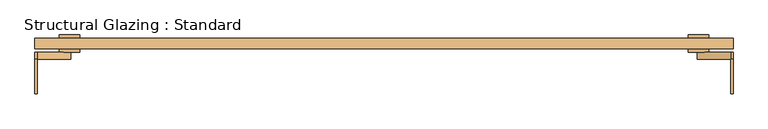
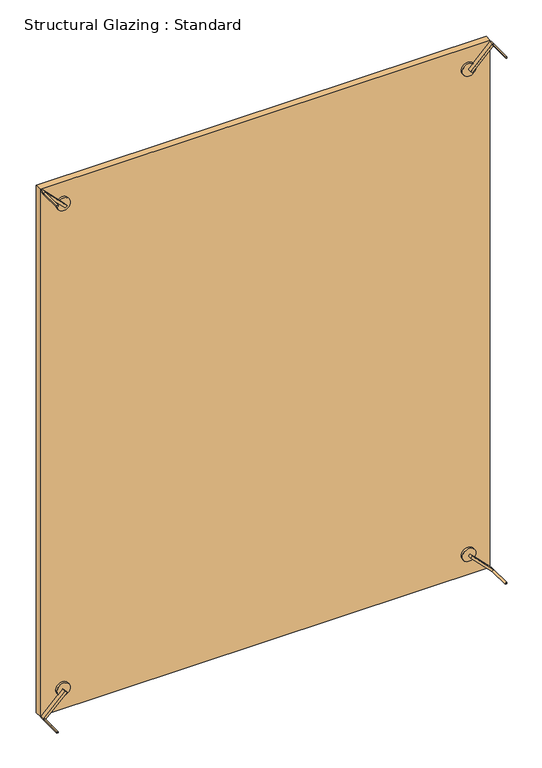
"""IFC4 building model written with IfcOpenShell, lengths in millimetres: door geometry, Structural Glazing : Standard."""

from ifc_helpers import new_model, si_unit, point, frame, frame_2d, origin, origin_with_axes, place, context, project, spatial, polyline, circle_curve, trimmed, segment, composite_curve, outline, extrude, source, transform, mapped, element, save


def structural_glazing_standard_1f668d89(model_context):
    return source(origin(), model_context, "Body", "SweptSolid", [
        extrude(outline(composite_curve([segment(trimmed(circle_curve(frame_2d((100.0, 910.0)), 30.0), [point((100.0, 880.0))], [point((100.0, 940.0))], False, "CARTESIAN"), True, "CONTINUOUS"), segment(trimmed(circle_curve(frame_2d((100.0, 910.0)), 30.0), [point((100.0, 940.0))], [point((100.0, 880.0))], False, "CARTESIAN"), True, "CONTINUOUS")], self_intersect=False)), frame((0.0, -38.9615014, 0.0), z_axis=(0.0, 1.0, 0.0), x_axis=(0.0, 0.0, 1.0)), (0.0, 0.0, 1.0), 10.0),
        extrude(outline(composite_curve([segment(trimmed(circle_curve(frame_2d((100.0, -910.0)), 30.0), [point((100.0, -940.0))], [point((100.0, -880.0))], False, "CARTESIAN"), True, "CONTINUOUS"), segment(trimmed(circle_curve(frame_2d((100.0, -910.0)), 30.0), [point((100.0, -880.0))], [point((100.0, -940.0))], False, "CARTESIAN"), True, "CONTINUOUS")], self_intersect=False)), frame((0.0, -38.9615014, 0.0), z_axis=(0.0, 1.0, 0.0), x_axis=(0.0, 0.0, 1.0)), (0.0, 0.0, 1.0), 10.0),
        extrude(outline(composite_curve([segment(trimmed(circle_curve(frame_2d((2400.0, -910.0)), 30.0), [point((2400.0, -940.0))], [point((2400.0, -880.0))], False, "CARTESIAN"), True, "CONTINUOUS"), segment(trimmed(circle_curve(frame_2d((2400.0, -910.0)), 30.0), [point((2400.0, -880.0))], [point((2400.0, -940.0))], False, "CARTESIAN"), True, "CONTINUOUS")], self_intersect=False)), frame((0.0, -38.9615014, 0.0), z_axis=(0.0, 1.0, 0.0), x_axis=(0.0, 0.0, 1.0)), (0.0, 0.0, 1.0), 10.0),
        extrude(outline(composite_curve([segment(trimmed(circle_curve(frame_2d((2400.0, 910.0)), 30.0), [point((2400.0, 880.0))], [point((2400.0, 940.0))], False, "CARTESIAN"), True, "CONTINUOUS"), segment(trimmed(circle_curve(frame_2d((2400.0, 910.0)), 30.0), [point((2400.0, 940.0))], [point((2400.0, 880.0))], False, "CARTESIAN"), True, "CONTINUOUS")], self_intersect=False)), frame((0.0, -38.9615014, 0.0), z_axis=(0.0, 1.0, 0.0), x_axis=(0.0, 0.0, 1.0)), (0.0, 0.0, 1.0), 10.0),
        extrude(outline(composite_curve([segment(trimmed(circle_curve(frame_2d((100.0, -910.0)), 30.0), [point((100.0, -940.0))], [point((100.0, -880.0))], False, "CARTESIAN"), True, "CONTINUOUS"), segment(trimmed(circle_curve(frame_2d((100.0, -910.0)), 30.0), [point((100.0, -880.0))], [point((100.0, -940.0))], False, "CARTESIAN"), True, "CONTINUOUS")], self_intersect=False)), frame((0.0, 1.0384986, 0.0), z_axis=(0.0, 1.0, 0.0), x_axis=(0.0, 0.0, 1.0)), (0.0, 0.0, 1.0), 10.0),
        extrude(outline(composite_curve([segment(trimmed(circle_curve(frame_2d((100.0, 910.0)), 30.0), [point((100.0, 880.0))], [point((100.0, 940.0))], False, "CARTESIAN"), True, "CONTINUOUS"), segment(trimmed(circle_curve(frame_2d((100.0, 910.0)), 30.0), [point((100.0, 940.0))], [point((100.0, 880.0))], False, "CARTESIAN"), True, "CONTINUOUS")], self_intersect=False)), frame((0.0, 1.0384986, 0.0), z_axis=(0.0, 1.0, 0.0), x_axis=(0.0, 0.0, 1.0)), (0.0, 0.0, 1.0), 10.0),
        extrude(outline(composite_curve([segment(trimmed(circle_curve(frame_2d((2400.0, -910.0)), 30.0), [point((2400.0, -940.0))], [point((2400.0, -880.0))], False, "CARTESIAN"), True, "CONTINUOUS"), segment(trimmed(circle_curve(frame_2d((2400.0, -910.0)), 30.0), [point((2400.0, -880.0))], [point((2400.0, -940.0))], False, "CARTESIAN"), True, "CONTINUOUS")], self_intersect=False)), frame((0.0, 1.0384986, 0.0), z_axis=(0.0, 1.0, 0.0), x_axis=(0.0, 0.0, 1.0)), (0.0, 0.0, 1.0), 10.0),
        extrude(outline(composite_curve([segment(trimmed(circle_curve(frame_2d((2400.0, 910.0)), 30.0), [point((2400.0, 880.0))], [point((2400.0, 940.0))], False, "CARTESIAN"), True, "CONTINUOUS"), segment(trimmed(circle_curve(frame_2d((2400.0, 910.0)), 30.0), [point((2400.0, 940.0))], [point((2400.0, 880.0))], False, "CARTESIAN"), True, "CONTINUOUS")], self_intersect=False)), frame((0.0, 1.0384986, 0.0), z_axis=(0.0, 1.0, 0.0), x_axis=(0.0, 0.0, 1.0)), (0.0, 0.0, 1.0), 10.0),
        extrude(outline(polyline([(1010.0, -28.9615014), (-1010.0, -28.9615014), (-1010.0, 1.0384986), (1010.0, 1.0384986), (1010.0, -28.9615014)])), origin_with_axes(), (0.0, 0.0, 1.0), 2500.0),
        extrude(outline(composite_curve([segment(polyline([(0.0, 1010.0), (7.0710678, 1010.0)]), True, "CONTINUOUS"), segment(trimmed(circle_curve(frame_2d((0.0, 1010.0)), 7.0710678), [point((7.0710678, 1010.0))], [point((0.0, 1002.9289322))], False, "CARTESIAN"), True, "CONTINUOUS"), segment(polyline([(0.0, 1002.9289322), (0.0, 1010.0)]), True, "CONTINUOUS")], self_intersect=False)), frame((0.0, -158.9615014, 0.0), z_axis=(0.0, 1.0, 0.0), x_axis=(0.0, 0.0, 1.0)), (0.0, 0.0, 1.0), 100.0),
        extrude(outline(composite_curve([segment(polyline([(0.0, -1010.0), (0.0, -1002.9289322)]), True, "CONTINUOUS"), segment(trimmed(circle_curve(frame_2d((0.0, -1010.0)), 7.0710678), [point((0.0, -1002.9289322))], [point((7.0710678, -1010.0))], False, "CARTESIAN"), True, "CONTINUOUS"), segment(polyline([(7.0710678, -1010.0), (0.0, -1010.0)]), True, "CONTINUOUS")], self_intersect=False)), frame((0.0, -158.9615014, 0.0), z_axis=(0.0, 1.0, 0.0), x_axis=(0.0, 0.0, 1.0)), (0.0, 0.0, 1.0), 100.0),
        extrude(outline(composite_curve([segment(polyline([(2500.0, 1010.0), (2500.0, 1002.9289322)]), True, "CONTINUOUS"), segment(trimmed(circle_curve(frame_2d((2500.0, 1010.0)), 7.0710678), [point((2500.0, 1002.9289322))], [point((2492.9289322, 1010.0))], False, "CARTESIAN"), True, "CONTINUOUS"), segment(polyline([(2492.9289322, 1010.0), (2500.0, 1010.0)]), True, "CONTINUOUS")], self_intersect=False)), frame((0.0, -158.9615014, 0.0), z_axis=(0.0, 1.0, 0.0), x_axis=(0.0, 0.0, 1.0)), (0.0, 0.0, 1.0), 100.0),
        extrude(outline(composite_curve([segment(polyline([(2500.0, -1002.9289322), (2500.0, -1010.0), (2492.9289322, -1010.0)]), True, "CONTINUOUS"), segment(trimmed(circle_curve(frame_2d((2500.0, -1010.0)), 7.0710678), [point((2492.9289322, -1010.0))], [point((2500.0, -1002.9289322))], False, "CARTESIAN"), True, "CONTINUOUS")], self_intersect=False)), frame((0.0, -158.9615014, 0.0), z_axis=(0.0, 1.0, 0.0), x_axis=(0.0, 0.0, 1.0)), (0.0, 0.0, 1.0), 100.0),
        extrude(outline(polyline([(103.5355339, 913.5355339), (96.4644661, 906.4644661), (0.0, 1002.9289322), (0.0, 1010.0), (7.0710678, 1010.0), (103.5355339, 913.5355339)])), frame((0.0, -58.9615014, 0.0), z_axis=(0.0, 1.0, 0.0), x_axis=(0.0, 0.0, 1.0)), (0.0, 0.0, 1.0), 20.0),
        extrude(outline(polyline([(0.0, -1010.0), (0.0, -1002.9289322), (96.4644661, -906.4644661), (103.5355339, -913.5355339), (7.0710678, -1010.0), (0.0, -1010.0)])), frame((0.0, -58.9615014, 0.0), z_axis=(0.0, 1.0, 0.0), x_axis=(0.0, 0.0, 1.0)), (0.0, 0.0, 1.0), 20.0),
        extrude(outline(polyline([(2500.0, -1002.9289322), (2500.0, -1010.0), (2492.9289322, -1010.0), (2396.4644661, -913.5355339), (2403.5355339, -906.4644661), (2500.0, -1002.9289322)])), frame((0.0, -58.9615014, 0.0), z_axis=(0.0, 1.0, 0.0), x_axis=(0.0, 0.0, 1.0)), (0.0, 0.0, 1.0), 20.0),
        extrude(outline(polyline([(2500.0, 1002.9289322), (2403.5355339, 906.4644661), (2396.4644661, 913.5355339), (2492.9289322, 1010.0), (2500.0, 1010.0), (2500.0, 1002.9289322)])), frame((0.0, -58.9615014, 0.0), z_axis=(0.0, 1.0, 0.0), x_axis=(0.0, 0.0, 1.0)), (0.0, 0.0, 1.0), 20.0),
    ])


if __name__ == "__main__":
    model = new_model("IFC4")
    model_context = context("Model", 3, world=origin())
    ifc_project = project(units=[si_unit("LENGTHUNIT", "METRE", prefix="MILLI")], contexts=[model_context])
    site = spatial("IfcSite", under=ifc_project)
    building = spatial("IfcBuilding", under=site)
    placement = place(None, origin())
    structural_glazing_standard_shape = structural_glazing_standard_1f668d89(model_context)
    element("IfcDoor", 1, ObjectType="Structural Glazing : Standard", at=placement, inside=building, context=model_context, shape_type="MappedRepresentation", body=[
        mapped(structural_glazing_standard_shape, transform((0.0, 0.0, 0.0), x_axis=(1.0, 0.0, 0.0), y_axis=(0.0, 1.0, 0.0), z_axis=(0.0, 0.0, 1.0))),
    ])
    save(model, "model.ifc")
